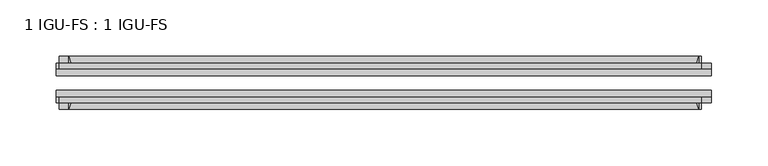
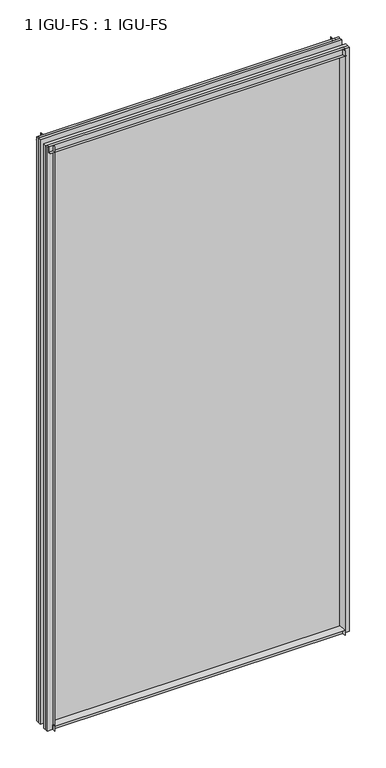
"""IFC4 building model written with IfcOpenShell, lengths in millimetres: plate geometry, 1 IGU-FS : 1 IGU-FS."""

from ifc_helpers import new_model, si_unit, point, frame, frame_2d, origin, place, context, project, spatial, polyline, circle_curve, trimmed, segment, composite_curve, outline, extrude, source, transform, mapped, element, save


def plate_1_igu_fs_1_igu_fs_3a55c4a8(model_context):
    return source(origin(), model_context, "Body", "SweptSolid", [
        extrude(outline(composite_curve([segment(polyline([(-44.859575, -9.525), (-44.859575, 0.0), (-50.8285753, 0.0)]), True, "CONTINUOUS"), segment(trimmed(circle_curve(frame_2d((-56.4601953, 32.279754)), 32.7673262), [point((-50.8285753, 0.0))], [point((-40.084375, 3.8978906))], True, "CARTESIAN"), True, "CONTINUOUS"), segment(polyline([(-40.084375, 3.8978906), (-40.084375, -9.525), (-44.859575, -9.525)]), True, "CONTINUOUS")], self_intersect=False)), frame((-279.3996031, 0.0, 0.0), z_axis=(1.0, 0.0, 0.0), x_axis=(0.0, 1.0, 0.0)), (0.0, 0.0, 1.0), 558.7992062),
        extrude(outline(composite_curve([segment(polyline([(-9.909175, -9.525), (-14.684375, -9.525), (-14.684375, 3.8978906)]), True, "CONTINUOUS"), segment(trimmed(circle_curve(frame_2d((1.6914453, 32.279754)), 32.7673262), [point((-14.684375, 3.8978906))], [point((-3.9401747, 0.0))], True, "CARTESIAN"), True, "CONTINUOUS"), segment(polyline([(-3.9401747, 0.0), (-9.909175, 0.0), (-9.909175, -9.525)]), True, "CONTINUOUS")], self_intersect=False)), frame((-279.3996031, 0.0, 0.0), z_axis=(1.0, 0.0, 0.0), x_axis=(0.0, 1.0, 0.0)), (0.0, 0.0, 1.0), 558.7992062),
        extrude(outline(composite_curve([segment(polyline([(-9.909175, 1179.5125), (-9.909175, 1168.4), (-3.9401753, 1168.4)]), True, "CONTINUOUS"), segment(trimmed(circle_curve(frame_2d((1.6914453, 1136.1202461)), 32.7673262), [point((-3.9401753, 1168.4))], [point((-14.684375, 1164.5021095))], True, "CARTESIAN"), True, "CONTINUOUS"), segment(polyline([(-14.684375, 1164.5021095), (-14.684375, 1179.5125), (-9.909175, 1179.5125)]), True, "CONTINUOUS")], self_intersect=False)), frame((-287.9123418, 0.0, 0.0), z_axis=(1.0, 0.0, 0.0), x_axis=(0.0, 1.0, 0.0)), (0.0, 0.0, 1.0), 569.8579064),
        extrude(outline(composite_curve([segment(polyline([(-40.084375, 1179.5125), (-40.084375, 1164.5021095)]), True, "CONTINUOUS"), segment(trimmed(circle_curve(frame_2d((-56.4601953, 1136.1202461)), 32.7673262), [point((-40.084375, 1164.5021095))], [point((-50.8285747, 1168.4))], True, "CARTESIAN"), True, "CONTINUOUS"), segment(polyline([(-50.8285747, 1168.4), (-44.859575, 1168.4), (-44.859575, 1179.5125), (-40.084375, 1179.5125)]), True, "CONTINUOUS")], self_intersect=False)), frame((-287.9123418, 0.0, 0.0), z_axis=(1.0, 0.0, 0.0), x_axis=(0.0, 1.0, 0.0)), (0.0, 0.0, 1.0), 569.8579064),
        extrude(outline(composite_curve([segment(polyline([(290.5121031, -9.909175), (290.5121031, -14.684375), (275.5017126, -14.684375)]), True, "CONTINUOUS"), segment(trimmed(circle_curve(frame_2d((247.1198492, 1.6914453)), 32.7673262), [point((275.5017126, -14.684375))], [point((279.3996031, -3.940175))], True, "CARTESIAN"), True, "CONTINUOUS"), segment(polyline([(279.3996031, -3.940175), (279.3996031, -9.909175), (290.5121031, -9.909175)]), True, "CONTINUOUS")], self_intersect=False)), frame((0.0, 0.0, -9.525), z_axis=(0.0, 0.0, 1.0), x_axis=(1.0, 0.0, 0.0)), (0.0, 0.0, 1.0), 1189.0375),
        extrude(outline(composite_curve([segment(polyline([(290.5121031, -40.084375), (290.5121031, -44.859575), (279.3996031, -44.859575), (279.3996031, -50.828575)]), True, "CONTINUOUS"), segment(trimmed(circle_curve(frame_2d((247.1198492, -56.4601953)), 32.7673262), [point((279.3996031, -50.828575))], [point((275.5017126, -40.084375))], True, "CARTESIAN"), True, "CONTINUOUS"), segment(polyline([(275.5017126, -40.084375), (290.5121031, -40.084375)]), True, "CONTINUOUS")], self_intersect=False)), frame((0.0, 0.0, -9.525), z_axis=(0.0, 0.0, 1.0), x_axis=(1.0, 0.0, 0.0)), (0.0, 0.0, 1.0), 1189.0375),
        extrude(outline(composite_curve([segment(polyline([(-290.5121031, -9.909175), (-279.3996031, -9.909175), (-279.3996031, -3.940175)]), True, "CONTINUOUS"), segment(trimmed(circle_curve(frame_2d((-247.1198492, 1.6914453)), 32.7673262), [point((-279.3996031, -3.940175))], [point((-275.5017126, -14.684375))], True, "CARTESIAN"), True, "CONTINUOUS"), segment(polyline([(-275.5017126, -14.684375), (-290.5121031, -14.684375), (-290.5121031, -9.909175)]), True, "CONTINUOUS")], self_intersect=False)), frame((0.0, 0.0, -9.525), z_axis=(0.0, 0.0, 1.0), x_axis=(1.0, 0.0, 0.0)), (0.0, 0.0, 1.0), 1189.0375),
        extrude(outline(composite_curve([segment(polyline([(-290.5121031, -44.859575), (-290.5121031, -40.084375), (-275.5017126, -40.084375)]), True, "CONTINUOUS"), segment(trimmed(circle_curve(frame_2d((-247.1198492, -56.4601953)), 32.7673262), [point((-275.5017126, -40.084375))], [point((-279.3996031, -50.828575))], True, "CARTESIAN"), True, "CONTINUOUS"), segment(polyline([(-279.3996031, -50.828575), (-279.3996031, -44.859575), (-290.5121031, -44.859575)]), True, "CONTINUOUS")], self_intersect=False)), frame((0.0, 0.0, -9.525), z_axis=(0.0, 0.0, 1.0), x_axis=(1.0, 0.0, 0.0)), (0.0, 0.0, 1.0), 1189.0375),
        extrude(outline(polyline([(-290.5121031, -40.084375), (-290.5121031, -33.785175), (290.5121031, -33.785175), (290.5121031, -40.084375), (-290.5121031, -40.084375)])), frame((0.0, 0.0, -9.525), z_axis=(0.0, 0.0, 1.0), x_axis=(1.0, 0.0, 0.0)), (0.0, 0.0, 1.0), 1189.0375),
        extrude(outline(polyline([(290.5121031, -20.983575), (-290.5121031, -20.983575), (-290.5121031, -14.684375), (290.5121031, -14.684375), (290.5121031, -20.983575)])), frame((0.0, 0.0, -9.525), z_axis=(0.0, 0.0, 1.0), x_axis=(1.0, 0.0, 0.0)), (0.0, 0.0, 1.0), 1189.0375),
    ])


if __name__ == "__main__":
    model = new_model("IFC4")
    model_context = context("Model", 3, world=origin())
    ifc_project = project(units=[si_unit("LENGTHUNIT", "METRE", prefix="MILLI")], contexts=[model_context])
    site = spatial("IfcSite", under=ifc_project)
    building = spatial("IfcBuilding", under=site)
    placement = place(None, origin())
    plate_1_igu_fs_1_igu_fs_shape = plate_1_igu_fs_1_igu_fs_3a55c4a8(model_context)
    element("IfcPlate", 1, ObjectType="1 IGU-FS : 1 IGU-FS", at=placement, inside=building, context=model_context, shape_type="MappedRepresentation", body=[
        mapped(plate_1_igu_fs_1_igu_fs_shape, transform((0.0, 0.0, 0.0), x_axis=(1.0, 0.0, 0.0), y_axis=(0.0, 1.0, 0.0), z_axis=(0.0, 0.0, 1.0))),
    ])
    save(model, "model.ifc")
